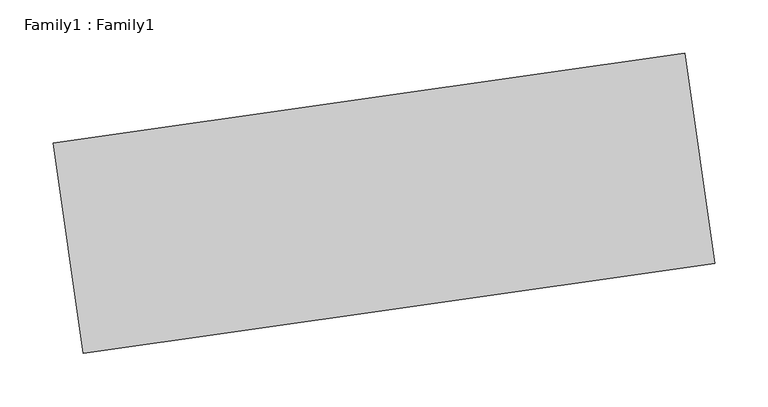
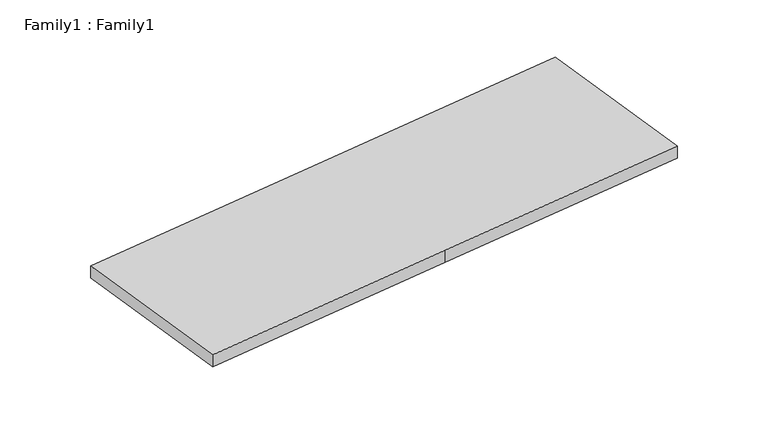
"""IFC4 building model written with IfcOpenShell, lengths in millimetres: plate geometry, Family1 : Family1."""

from ifc_helpers import new_model, si_unit, origin, origin_with_axes, place, context, project, spatial, polyline, outline, extrude, source, transform, mapped, element, save


def family1_family1_cdaa2736(model_context):
    return source(origin(), model_context, "Body", "SweptSolid", [
        extrude(outline(polyline([(5813.1572875, 4430.5786438), (5784.8730163, 4628.5685425), (6081.8578644, 4670.9949494), (6378.8427125, 4713.4213562), (6407.1269837, 4515.4314575), (6110.1421356, 4473.0050506), (5813.1572875, 4430.5786438)])), origin_with_axes(), (0.0, 0.0, 1.0), 15.0),
    ])


if __name__ == "__main__":
    model = new_model("IFC4")
    model_context = context("Model", 3, world=origin())
    ifc_project = project(units=[si_unit("LENGTHUNIT", "METRE", prefix="MILLI")], contexts=[model_context])
    site = spatial("IfcSite", under=ifc_project)
    building = spatial("IfcBuilding", under=site)
    placement = place(None, origin())
    family1_family1_shape = family1_family1_cdaa2736(model_context)
    element("IfcPlate", 1, ObjectType="Family1 : Family1", at=placement, inside=building, context=model_context, shape_type="MappedRepresentation", body=[
        mapped(family1_family1_shape, transform((0.0, 0.0, 0.0), x_axis=(1.0, 0.0, 0.0), y_axis=(0.0, 1.0, 0.0), z_axis=(0.0, 0.0, 1.0))),
    ])
    save(model, "model.ifc")
